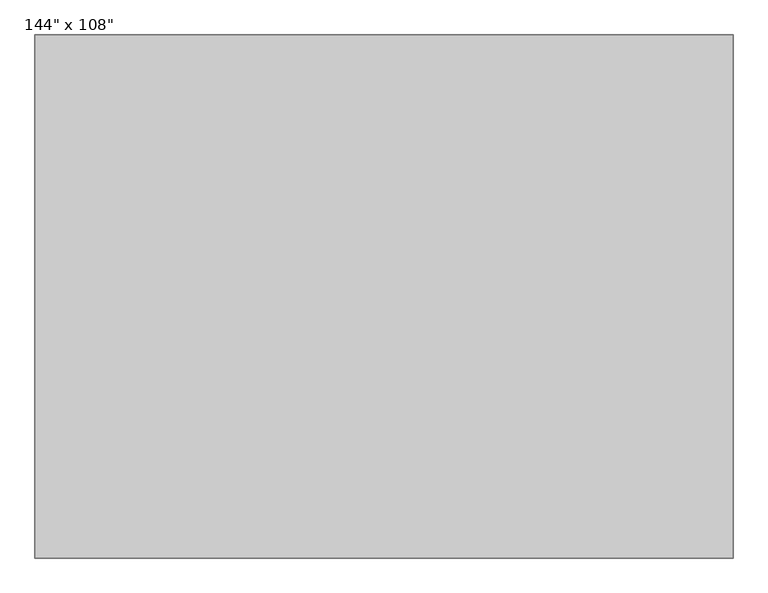
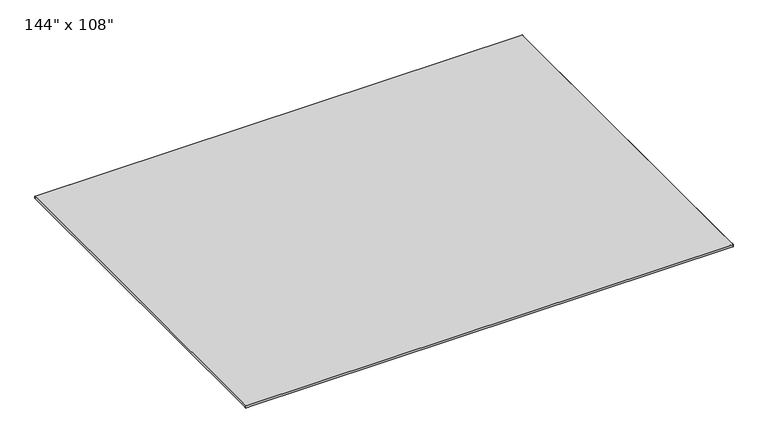
"""IFC4 building model written with IfcOpenShell, lengths in millimetres: furniture geometry."""

from ifc_helpers import new_model, si_unit, origin, place, context, project, spatial, triangles, source, transform, mapped, element, save


def furniture_204de94d(model_context):
    return source(origin(), model_context, "Body", "Tessellation", [
        triangles([(1797.9197628, -1364.7637894, 10.1692814), (1797.9197628, -1398.8481915, 10.1692814), (1813.1291542, -1398.8481915, 10.1692814), (1813.1291542, -1364.7637894, 10.1692814), (-1844.4707005, -1364.7637894, 10.1692814), (-1844.4707005, -1398.8481915, 10.1692814), (-1829.2613091, -1398.8481915, 10.1692814), (-1829.2613091, -1364.7637894, 10.1692814), (-1829.2615997, 1310.2675518, 10.1692814), (-1829.2615997, 1344.3518085, 10.1692814), (-1844.4707005, 1344.3518085, 10.1692814), (-1844.4707005, 1310.2675518, 10.1692814), (1797.9194721, 1310.2672611, 10.1692814), (-1829.2615997, -1398.8481915, -7.62), (1797.9194721, -1398.8481915, -7.62), (1813.1291542, -1364.7637894, -7.62), (1813.1291542, 1310.2675518, -7.62), (1813.1291542, 1310.2672611, 10.1692814), (1797.9197628, 1344.3518085, -7.62), (-1829.2613091, 1344.3518085, -7.62), (1797.9194721, 1344.3518085, 10.1692814), (-1844.4707005, 1310.2672611, -7.62), (-1844.4707005, -1364.7637894, -7.62), (1813.1291542, -1398.8481915, -7.62), (-1844.4707005, -1398.8481915, -7.62), (-1844.4707005, 1344.3518085, -7.62), (1813.1291542, 1344.3518085, 10.1692814), (1813.1291542, 1344.3518085, -7.62)], [[1, 2, 3], [1, 3, 4], [5, 6, 7], [5, 7, 8], [9, 10, 11], [9, 11, 12], [1, 13, 9], [1, 9, 8], [14, 15, 2], [14, 2, 7], [16, 17, 18], [16, 18, 4], [19, 20, 10], [19, 10, 21], [22, 23, 5], [22, 5, 12], [4, 18, 13], [4, 13, 1], [12, 5, 8], [12, 8, 9], [15, 24, 3], [15, 3, 2], [7, 6, 25], [7, 25, 14], [20, 26, 11], [20, 11, 10], [21, 27, 28], [21, 28, 19], [13, 21, 10], [13, 10, 9], [8, 7, 2], [8, 2, 1], [17, 28, 27], [17, 27, 18], [4, 3, 24], [4, 24, 16], [23, 25, 6], [23, 6, 5], [12, 11, 26], [12, 26, 22], [18, 27, 21], [18, 21, 13]], closed=False),
    ])


if __name__ == "__main__":
    model = new_model("IFC4")
    model_context = context("Model", 3, world=origin())
    ifc_project = project(units=[si_unit("LENGTHUNIT", "METRE", prefix="MILLI")], contexts=[model_context])
    site = spatial("IfcSite", under=ifc_project)
    building = spatial("IfcBuilding", under=site)
    placement = place(None, origin())
    furniture_shape = furniture_204de94d(model_context)
    element("IfcFurniture", 1, ObjectType="144\" x 108\"", at=placement, inside=building, context=model_context, shape_type="MappedRepresentation", body=[
        mapped(furniture_shape, transform((0.0, 0.0, 0.0), x_axis=(1.0, 0.0, 0.0), y_axis=(0.0, 1.0, 0.0), z_axis=(0.0, 0.0, 1.0))),
    ])
    save(model, "model.ifc")
